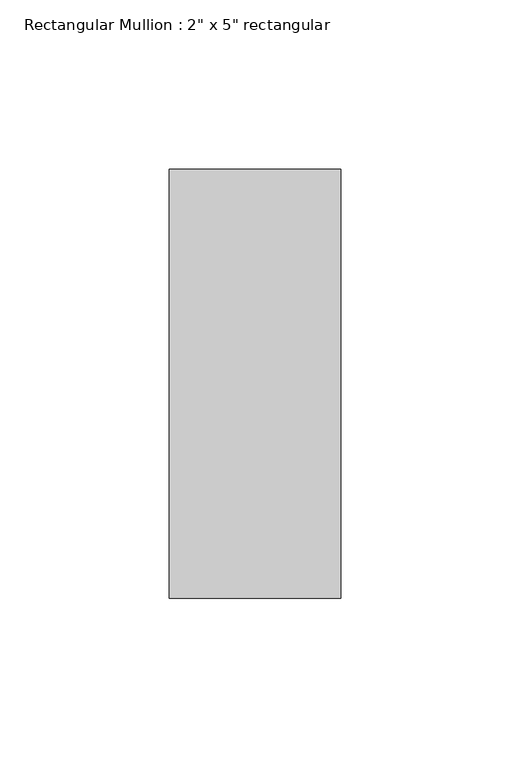
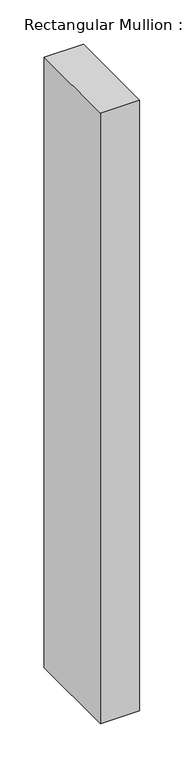
"""IFC4 building model written with IfcOpenShell, lengths in millimetres: member geometry."""

from ifc_helpers import new_model, si_unit, frame, origin, place, context, project, spatial, polyline, outline, extrude, source, transform, mapped, element, save


def member_6a509637(model_context):
    return source(origin(), model_context, "Body", "SweptSolid", [
        extrude(outline(polyline([(25.4, 63.5), (25.4, -63.5), (-25.4, -63.5), (-25.4, 63.5), (25.4, 63.5)])), frame((0.0, 0.0, -838.2), z_axis=(0.0, 0.0, 1.0), x_axis=(1.0, 0.0, 0.0)), (0.0, 0.0, 1.0), 838.2),
    ])


if __name__ == "__main__":
    model = new_model("IFC4")
    model_context = context("Model", 3, world=origin())
    ifc_project = project(units=[si_unit("LENGTHUNIT", "METRE", prefix="MILLI")], contexts=[model_context])
    site = spatial("IfcSite", under=ifc_project)
    building = spatial("IfcBuilding", under=site)
    placement = place(None, origin())
    member_shape = member_6a509637(model_context)
    element("IfcMember", 1, ObjectType="Rectangular Mullion : 2\" x 5\" rectangular", at=placement, inside=building, context=model_context, shape_type="MappedRepresentation", body=[
        mapped(member_shape, transform((0.0, 0.0, 0.0), x_axis=(1.0, 0.0, 0.0), y_axis=(0.0, 1.0, 0.0), z_axis=(0.0, 0.0, 1.0))),
    ])
    save(model, "model.ifc")
